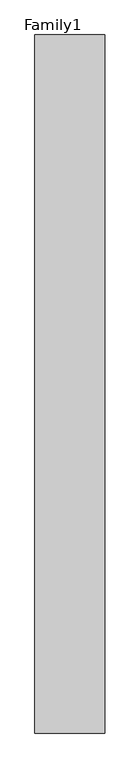
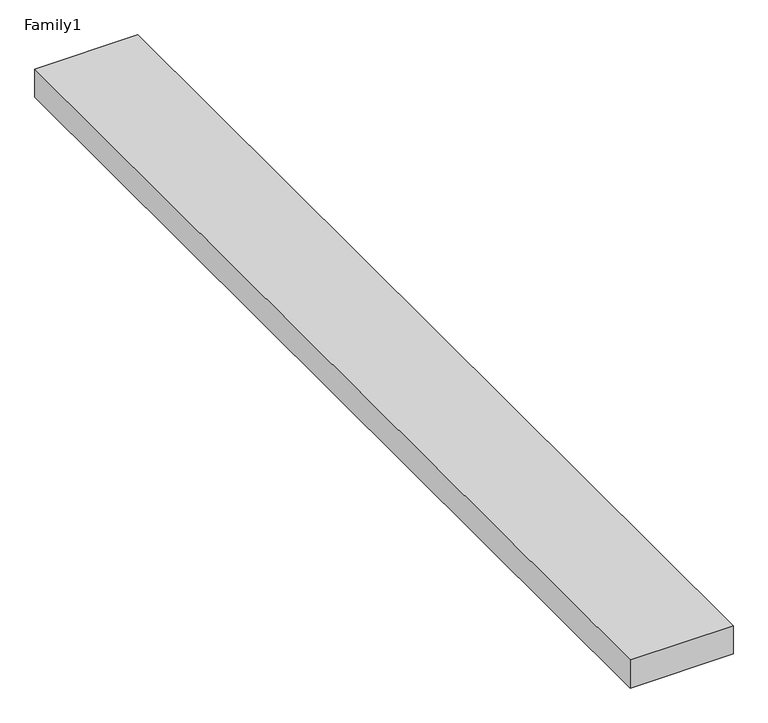
"""IFC4 building model written with IfcOpenShell, lengths in millimetres: proxy geometry, Family1."""

from ifc_helpers import new_model, si_unit, origin, origin_with_axes, place, context, project, spatial, polyline, outline, extrude, source, transform, mapped, element, save


def family1_044e247e(model_context):
    return source(origin(), model_context, "Body", "SweptSolid", [
        extrude(outline(polyline([(5000.0, 0.0), (0.0, 0.0), (0.0, 50000.0), (5000.0, 50000.0), (5000.0, 0.0)])), origin_with_axes(), (0.0, 0.0, 1.0), 1452.0),
    ])


if __name__ == "__main__":
    model = new_model("IFC4")
    model_context = context("Model", 3, world=origin())
    ifc_project = project(units=[si_unit("LENGTHUNIT", "METRE", prefix="MILLI")], contexts=[model_context])
    site = spatial("IfcSite", under=ifc_project)
    building = spatial("IfcBuilding", under=site)
    placement = place(None, origin())
    family1_shape = family1_044e247e(model_context)
    element("IfcBuildingElementProxy", 1, Name="Family1", ObjectType="Family1", at=placement, inside=building, context=model_context, shape_type="MappedRepresentation", body=[
        mapped(family1_shape, transform((0.0, 0.0, 0.0), x_axis=(1.0, 0.0, 0.0), y_axis=(0.0, 1.0, 0.0), z_axis=(0.0, 0.0, 1.0))),
    ])
    save(model, "model.ifc")
